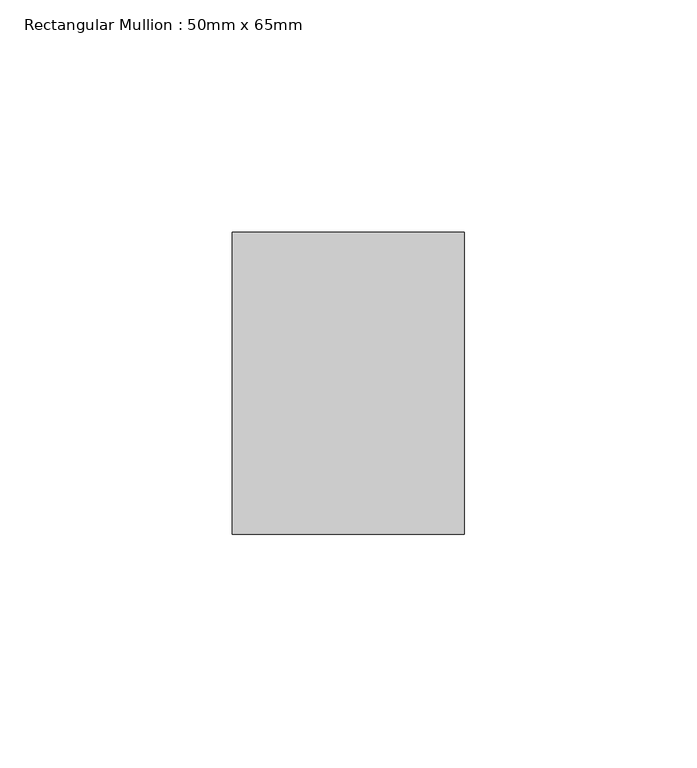
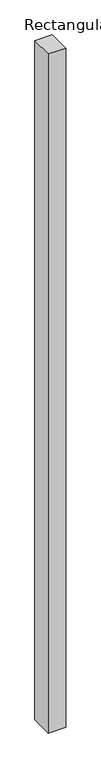
"""IFC4 building model written with IfcOpenShell, lengths in millimetres: member geometry, Rectangular Mullion : 50mm x 65mm."""

from ifc_helpers import new_model, si_unit, frame, origin, place, context, project, spatial, polyline, outline, extrude, source, transform, mapped, element, save


def rectangular_mullion_50mm_x_65mm_77a18eac(model_context):
    return source(origin(), model_context, "Body", "SweptSolid", [
        extrude(outline(polyline([(25.0, 32.5), (25.0, -32.5), (-25.0, -32.5), (-25.0, 32.5), (25.0, 32.5)])), frame((0.0, 0.0, -2042.0391818), z_axis=(0.0, 0.0, 1.0), x_axis=(1.0, 0.0, 0.0)), (0.0, 0.0, 1.0), 2042.0391818),
    ])


if __name__ == "__main__":
    model = new_model("IFC4")
    model_context = context("Model", 3, world=origin())
    ifc_project = project(units=[si_unit("LENGTHUNIT", "METRE", prefix="MILLI")], contexts=[model_context])
    site = spatial("IfcSite", under=ifc_project)
    building = spatial("IfcBuilding", under=site)
    placement = place(None, origin())
    rectangular_mullion_50mm_x_65mm_shape = rectangular_mullion_50mm_x_65mm_77a18eac(model_context)
    element("IfcMember", 1, ObjectType="Rectangular Mullion : 50mm x 65mm", at=placement, inside=building, context=model_context, shape_type="MappedRepresentation", body=[
        mapped(rectangular_mullion_50mm_x_65mm_shape, transform((0.0, 0.0, 0.0), x_axis=(1.0, 0.0, 0.0), y_axis=(0.0, 1.0, 0.0), z_axis=(0.0, 0.0, 1.0))),
    ])
    save(model, "model.ifc")
